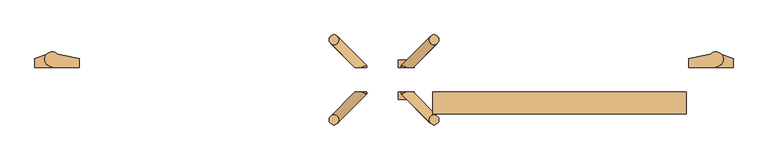
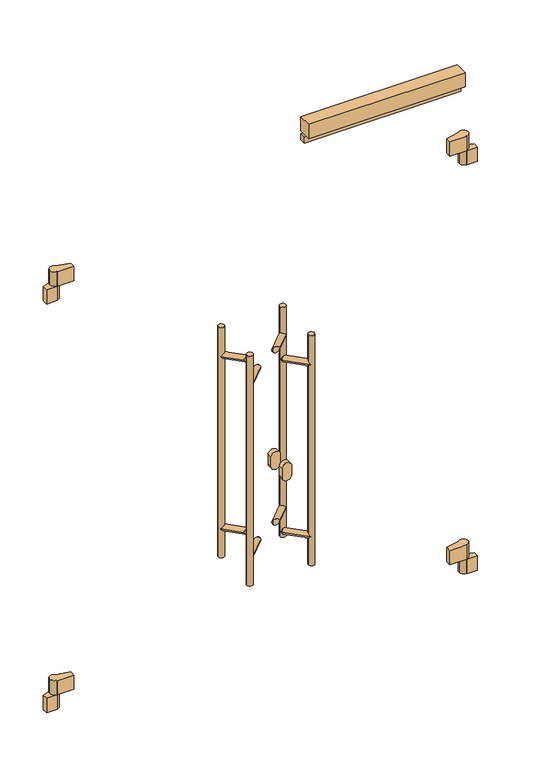
"""IFC4 building model written with IfcOpenShell, lengths in millimetres: door geometry."""

from ifc_helpers import new_model, si_unit, point, frame, frame_2d, origin, place, context, project, spatial, polyline, circle_curve, ellipse_curve, trimmed, segment, composite_curve, outline, extrude, source, transform, mapped, element, save
from ifc_brep_helpers import plane_surface, cylinder_surface, advanced_brep


def door_6a39a498(model_context):
    return source(origin(), model_context, "Body", "SolidModel", [
        extrude(outline(polyline([(-601.0, -50.0), (-86.0, -50.0), (-86.0, -95.0), (-601.0, -95.0), (-601.0, -50.0)])), frame((0.0, 0.0, 2073.0), z_axis=(0.0, 0.0, 1.0), x_axis=(1.0, 0.0, 0.0)), (0.0, 0.0, 1.0), 50.0),
        extrude(outline(polyline([(-601.0, -50.0), (-86.0, -50.0), (-86.0, -70.0), (-601.0, -70.0), (-601.0, -50.0)])), frame((0.0, 0.0, 2043.0), z_axis=(0.0, 0.0, 1.0), x_axis=(1.0, 0.0, 0.0)), (0.0, 0.0, 1.0), 20.0),
        advanced_brep(
        [(-81.0, 0.0, 400.0), (-26.0, 0.0, 400.0), (-26.0, 2.0, 400.0), (-11.0, 17.0, 400.0), (-36.5040029, 27.7082175, 400.0), (-81.0, 18.0, 400.0), (-41.0, 17.0, 300.0), (-13.8866516, 25.846852, 300.0), (9.0, 18.0, 300.0), (9.0, 0.0, 300.0), (-26.0, 0.0, 300.0), (-26.0, 2.0, 300.0), (-26.0, 2.0, 350.0), (-11.0, 17.0, 350.0), (-41.0, 17.0, 350.0), (-26.0, 2.0, 350.0), (-13.8866516, 25.846852, 350.0), (-36.5040029, 27.7082175, 350.0), (-81.0, 0.0, 350.0), (-81.0, 18.0, 350.0), (-26.0, 0.0, 350.0), (9.0, 0.0, 350.0), (9.0, 18.0, 350.0)],
        [
            (0, 1),
            (1, 2),
            (2, 3, circle_curve(frame((-26.0, 17.0, 400.0), z_axis=(0.0, 0.0, 1.0), x_axis=(1.0, 0.0, 0.0)), 15.0)),
            (3, 4, circle_curve(frame((-26.0, 17.0, 400.0), z_axis=(0.0, 0.0, 1.0), x_axis=(1.0, 0.0, 0.0)), 15.0)),
            (4, 5),
            (5, 0),
            (6, 7, circle_curve(frame((-26.0, 17.0, 300.0), z_axis=(0.0, 0.0, -1.0), x_axis=(1.0, 0.0, 0.0)), 15.0)),
            (7, 8),
            (8, 9),
            (9, 10),
            (10, 11),
            (11, 6, circle_curve(frame((-26.0, 17.0, 300.0), z_axis=(0.0, 0.0, -1.0), x_axis=(1.0, 0.0, 0.0)), 15.0)),
            (2, 12),
            (12, 13, circle_curve(frame((-26.0, 17.0, 350.0), z_axis=(0.0, 0.0, 1.0), x_axis=(1.0, 0.0, 0.0)), 15.0)),
            (13, 3),
            (14, 6),
            (11, 15),
            (15, 14, circle_curve(frame((-26.0, 17.0, 350.0), z_axis=(0.0, 0.0, -1.0), x_axis=(1.0, 0.0, 0.0)), 15.0)),
            (13, 16, circle_curve(frame((-26.0, 17.0, 350.0), z_axis=(0.0, 0.0, 1.0), x_axis=(1.0, 0.0, 0.0)), 15.0)),
            (16, 7),
            (14, 17, circle_curve(frame((-26.0, 17.0, 350.0), z_axis=(0.0, 0.0, -1.0), x_axis=(1.0, 0.0, 0.0)), 15.0)),
            (17, 4),
            (18, 19),
            (19, 17),
            (15, 20),
            (20, 18),
            (0, 18),
            (20, 1),
            (20, 12),
            (19, 5),
            (20, 21),
            (21, 22),
            (22, 16),
            (10, 20),
            (9, 21),
            (8, 22),
        ],
        [
            plane_surface(frame((-11.0, 17.0, 400.0), z_axis=(0.0, 0.0, 1.0), x_axis=(0.0, 1.0, 0.0))),
            plane_surface(frame((-11.0, 17.0, 300.0), z_axis=(0.0, 0.0, -1.0), x_axis=(0.0, -1.0, 0.0))),
            cylinder_surface(frame((-26.0, 17.0, 300.0), z_axis=(0.0, 0.0, 1.0), x_axis=(1.0, 0.0, 0.0)), 15.0),
            plane_surface(frame((-26.0, 0.0, 350.0), z_axis=(0.0, 0.0, -1.0), x_axis=(-1.0, 0.0, 0.0))),
            plane_surface(frame((-81.0, 0.0, 400.0), z_axis=(0.0, -1.0, 0.0), x_axis=(0.0, 0.0, -1.0))),
            plane_surface(frame((-26.0, 0.0, 400.0), z_axis=(1.0, 0.0, 0.0), x_axis=(0.0, 0.0, -1.0))),
            plane_surface(frame((-26.0, 30.0, 400.0), z_axis=(-0.21316707521672498, 0.9770157614099925, 0.0), x_axis=(0.0, 0.0, -1.0))),
            plane_surface(frame((-81.0, 18.0, 400.0), z_axis=(-1.0, 0.0, 0.0), x_axis=(0.0, 0.0, -1.0))),
            plane_surface(frame((-26.0, 0.0, 350.0), z_axis=(0.0, 0.0, 1.0), x_axis=(0.0, -1.0, 0.0))),
            plane_surface(frame((-26.0, 30.0, 350.0), z_axis=(-1.0, 0.0, 0.0), x_axis=(0.0, 0.0, -1.0))),
            plane_surface(frame((-26.0, 0.0, 350.0), z_axis=(0.0, -1.0, 0.0), x_axis=(0.0, 0.0, -1.0))),
            plane_surface(frame((9.0, 0.0, 350.0), z_axis=(1.0, 0.0, 0.0), x_axis=(0.0, 0.0, -1.0))),
            plane_surface(frame((9.0, 18.0, 350.0), z_axis=(0.3243243243243251, 0.9459459459459457, 0.0), x_axis=(0.0, 0.0, -1.0))),
        ],
        [
            (0, [[1, 2, 3, 4, 5, 6]]),
            (1, [[7, 8, 9, 10, 11, 12]]),
            (2, [[-3, 13, 14, 15]]),
            (2, [[16, -12, 17, 18]]),
            (2, [[-4, -15, 19, 20, -7, -16, 21, 22]]),
            (3, [[23, 24, -21, -18, 25, 26]]),
            (4, [[-1, 27, -26, 28]]),
            (5, [[-28, 29, -13, -2]]),
            (6, [[30, -5, -22, -24]]),
            (7, [[-6, -30, -23, -27]]),
            (8, [[31, 32, 33, -19, -14, -29]]),
            (9, [[34, -25, -17, -11]]),
            (10, [[-31, -34, -10, 35]]),
            (11, [[-32, -35, -9, 36]]),
            (12, [[-36, -8, -20, -33]]),
        ],
    ),
        advanced_brep(
        [(-1319.0, 0.0, 400.0), (-1319.0, 18.0, 400.0), (-1363.4959971, 27.7082175, 400.0), (-1389.0, 17.0, 400.0), (-1374.0, 2.0, 400.0), (-1374.0, 0.0, 400.0), (-1386.1133484, 25.846852, 300.0), (-1359.0, 17.0, 300.0), (-1374.0, 2.0, 300.0), (-1374.0, 0.0, 300.0), (-1409.0, 0.0, 300.0), (-1409.0, 18.0, 300.0), (-1389.0, 17.0, 350.0), (-1374.0, 2.0, 350.0), (-1359.0, 17.0, 350.0), (-1374.0, 2.0, 350.0), (-1363.4959971, 27.7082175, 350.0), (-1386.1133484, 25.846852, 350.0), (-1319.0, 0.0, 350.0), (-1374.0, 0.0, 350.0), (-1319.0, 18.0, 350.0), (-1409.0, 18.0, 350.0), (-1409.0, 0.0, 350.0)],
        [
            (0, 1),
            (1, 2),
            (2, 3, circle_curve(frame((-1374.0, 17.0, 400.0), z_axis=(0.0, 0.0, 1.0), x_axis=(1.0, 0.0, 0.0)), 15.0)),
            (3, 4, circle_curve(frame((-1374.0, 17.0, 400.0), z_axis=(0.0, 0.0, 1.0), x_axis=(1.0, 0.0, 0.0)), 15.0)),
            (4, 5),
            (5, 0),
            (6, 7, circle_curve(frame((-1374.0, 17.0, 300.0), z_axis=(0.0, 0.0, -1.0), x_axis=(1.0, 0.0, 0.0)), 15.0)),
            (7, 8, circle_curve(frame((-1374.0, 17.0, 300.0), z_axis=(0.0, 0.0, -1.0), x_axis=(1.0, 0.0, 0.0)), 15.0)),
            (8, 9),
            (9, 10),
            (10, 11),
            (11, 6),
            (3, 12),
            (12, 13, circle_curve(frame((-1374.0, 17.0, 350.0), z_axis=(0.0, 0.0, 1.0), x_axis=(1.0, 0.0, 0.0)), 15.0)),
            (13, 4),
            (7, 14),
            (14, 15, circle_curve(frame((-1374.0, 17.0, 350.0), z_axis=(0.0, 0.0, -1.0), x_axis=(1.0, 0.0, 0.0)), 15.0)),
            (15, 8),
            (2, 16),
            (16, 14, circle_curve(frame((-1374.0, 17.0, 350.0), z_axis=(0.0, 0.0, -1.0), x_axis=(1.0, 0.0, 0.0)), 15.0)),
            (6, 17),
            (17, 12, circle_curve(frame((-1374.0, 17.0, 350.0), z_axis=(0.0, 0.0, 1.0), x_axis=(1.0, 0.0, 0.0)), 15.0)),
            (18, 19),
            (19, 15),
            (16, 20),
            (20, 18),
            (0, 18),
            (20, 1),
            (19, 5),
            (13, 19),
            (21, 22),
            (22, 19),
            (17, 21),
            (11, 21),
            (10, 22),
            (9, 19),
        ],
        [
            plane_surface(frame((-11.0, 17.0, 400.0), z_axis=(0.0, 0.0, 1.0), x_axis=(0.0, 1.0, 0.0))),
            plane_surface(frame((-11.0, 17.0, 300.0), z_axis=(0.0, 0.0, -1.0), x_axis=(0.0, -1.0, 0.0))),
            cylinder_surface(frame((-1374.0, 17.0, 0.0), z_axis=(0.0, 0.0, 1.0), x_axis=(1.0, 0.0, 0.0)), 15.0),
            plane_surface(frame((-26.0, 0.0, 350.0), z_axis=(0.0, 0.0, -1.0), x_axis=(-1.0, 0.0, 0.0))),
            plane_surface(frame((-1319.0, 0.0, 400.0), z_axis=(1.0, 0.0, 0.0), x_axis=(0.0, 0.0, -1.0))),
            plane_surface(frame((-1319.0, 18.0, 400.0), z_axis=(0.2131670752167287, 0.9770157614099916, 0.0), x_axis=(0.0, 0.0, -1.0))),
            plane_surface(frame((-1374.0, 30.0, 400.0), z_axis=(-1.0, 0.0, 0.0), x_axis=(0.0, 0.0, -1.0))),
            plane_surface(frame((-1374.0, 0.0, 400.0), z_axis=(0.0, -1.0, 0.0), x_axis=(0.0, 0.0, -1.0))),
            plane_surface(frame((-26.0, 0.0, 350.0), z_axis=(0.0, 0.0, 1.0), x_axis=(0.0, -1.0, 0.0))),
            plane_surface(frame((-1374.0, 30.0, 350.0), z_axis=(-0.3243243243243233, 0.9459459459459464, 0.0), x_axis=(0.0, 0.0, -1.0))),
            plane_surface(frame((-1409.0, 18.0, 350.0), z_axis=(-1.0, 0.0, 0.0), x_axis=(0.0, 0.0, -1.0))),
            plane_surface(frame((-1409.0, 0.0, 350.0), z_axis=(0.0, -1.0, 0.0), x_axis=(0.0, 0.0, -1.0))),
            plane_surface(frame((-1374.0, 0.0, 350.0), z_axis=(1.0, 0.0, 0.0), x_axis=(0.0, 0.0, -1.0))),
        ],
        [
            (0, [[1, 2, 3, 4, 5, 6]]),
            (1, [[7, 8, 9, 10, 11, 12]]),
            (2, [[-4, 13, 14, 15]]),
            (2, [[16, 17, 18, -8]]),
            (2, [[-3, 19, 20, -16, -7, 21, 22, -13]]),
            (3, [[23, 24, -17, -20, 25, 26]]),
            (4, [[-1, 27, -26, 28]]),
            (5, [[-28, -25, -19, -2]]),
            (6, [[29, -5, -15, 30]]),
            (7, [[-6, -29, -23, -27]]),
            (8, [[31, 32, -30, -14, -22, 33]]),
            (9, [[34, -33, -21, -12]]),
            (10, [[-31, -34, -11, 35]]),
            (11, [[-32, -35, -10, 36]]),
            (12, [[-36, -9, -18, -24]]),
        ],
    ),
        advanced_brep(
        [(-81.0, 0.0, 1823.0), (-26.0, 0.0, 1823.0), (-26.0, 2.0, 1823.0), (-11.0, 17.0, 1823.0), (-36.5040029, 27.7082175, 1823.0), (-81.0, 18.0, 1823.0), (-41.0, 17.0, 1723.0), (-13.8866516, 25.846852, 1723.0), (9.0, 18.0, 1723.0), (9.0, 0.0, 1723.0), (-26.0, 0.0, 1723.0), (-26.0, 2.0, 1723.0), (-26.0, 2.0, 1773.0), (-11.0, 17.0, 1773.0), (-41.0, 17.0, 1773.0), (-26.0, 2.0, 1773.0), (-13.8866516, 25.846852, 1773.0), (-36.5040029, 27.7082175, 1773.0), (-81.0, 0.0, 1773.0), (-81.0, 18.0, 1773.0), (-26.0, 0.0, 1773.0), (9.0, 0.0, 1773.0), (9.0, 18.0, 1773.0)],
        [
            (0, 1),
            (1, 2),
            (2, 3, circle_curve(frame((-26.0, 17.0, 1823.0), z_axis=(0.0, 0.0, 1.0), x_axis=(1.0, 0.0, 0.0)), 15.0)),
            (3, 4, circle_curve(frame((-26.0, 17.0, 1823.0), z_axis=(0.0, 0.0, 1.0), x_axis=(1.0, 0.0, 0.0)), 15.0)),
            (4, 5),
            (5, 0),
            (6, 7, circle_curve(frame((-26.0, 17.0, 1723.0), z_axis=(0.0, 0.0, -1.0), x_axis=(1.0, 0.0, 0.0)), 15.0)),
            (7, 8),
            (8, 9),
            (9, 10),
            (10, 11),
            (11, 6, circle_curve(frame((-26.0, 17.0, 1723.0), z_axis=(0.0, 0.0, -1.0), x_axis=(1.0, 0.0, 0.0)), 15.0)),
            (2, 12),
            (12, 13, circle_curve(frame((-26.0, 17.0, 1773.0), z_axis=(0.0, 0.0, 1.0), x_axis=(1.0, 0.0, 0.0)), 15.0)),
            (13, 3),
            (14, 6),
            (11, 15),
            (15, 14, circle_curve(frame((-26.0, 17.0, 1773.0), z_axis=(0.0, 0.0, -1.0), x_axis=(1.0, 0.0, 0.0)), 15.0)),
            (13, 16, circle_curve(frame((-26.0, 17.0, 1773.0), z_axis=(0.0, 0.0, 1.0), x_axis=(1.0, 0.0, 0.0)), 15.0)),
            (16, 7),
            (14, 17, circle_curve(frame((-26.0, 17.0, 1773.0), z_axis=(0.0, 0.0, -1.0), x_axis=(1.0, 0.0, 0.0)), 15.0)),
            (17, 4),
            (18, 19),
            (19, 17),
            (15, 20),
            (20, 18),
            (20, 1),
            (0, 18),
            (20, 12),
            (19, 5),
            (20, 21),
            (21, 22),
            (22, 16),
            (10, 20),
            (9, 21),
            (8, 22),
        ],
        [
            plane_surface(frame((-11.0, 17.0, 1823.0), z_axis=(0.0, 0.0, 1.0), x_axis=(0.0, 1.0, 0.0))),
            plane_surface(frame((-11.0, 17.0, 1723.0), z_axis=(0.0, 0.0, -1.0), x_axis=(0.0, -1.0, 0.0))),
            cylinder_surface(frame((-26.0, 17.0, 1723.0), z_axis=(0.0, 0.0, 1.0), x_axis=(1.0, 0.0, 0.0)), 15.0),
            plane_surface(frame((-26.0, 0.0, 1773.0), z_axis=(0.0, 0.0, -1.0), x_axis=(-1.0, 0.0, 0.0))),
            plane_surface(frame((-81.0, 0.0, 1823.0), z_axis=(0.0, -1.0, 0.0), x_axis=(0.0, 0.0, -1.0))),
            plane_surface(frame((-26.0, 0.0, 1823.0), z_axis=(1.0, 0.0, 0.0), x_axis=(0.0, 0.0, -1.0))),
            plane_surface(frame((-26.0, 30.0, 1823.0), z_axis=(-0.21316707521672537, 0.9770157614099924, 0.0), x_axis=(0.0, 0.0, -1.0))),
            plane_surface(frame((-81.0, 18.0, 1823.0), z_axis=(-1.0, 0.0, 0.0), x_axis=(0.0, 0.0, -1.0))),
            plane_surface(frame((-26.0, 0.0, 1773.0), z_axis=(0.0, 0.0, 1.0), x_axis=(0.0, -1.0, 0.0))),
            plane_surface(frame((-26.0, 30.0, 1773.0), z_axis=(-1.0, 0.0, 0.0), x_axis=(0.0, 0.0, -1.0))),
            plane_surface(frame((-26.0, 0.0, 1773.0), z_axis=(0.0, -1.0, 0.0), x_axis=(0.0, 0.0, -1.0))),
            plane_surface(frame((9.0, 0.0, 1773.0), z_axis=(1.0, 0.0, 0.0), x_axis=(0.0, 0.0, -1.0))),
            plane_surface(frame((9.0, 18.0, 1773.0), z_axis=(0.3243243243243251, 0.9459459459459457, 0.0), x_axis=(0.0, 0.0, -1.0))),
        ],
        [
            (0, [[1, 2, 3, 4, 5, 6]]),
            (1, [[7, 8, 9, 10, 11, 12]]),
            (2, [[-3, 13, 14, 15]]),
            (2, [[16, -12, 17, 18]]),
            (2, [[-4, -15, 19, 20, -7, -16, 21, 22]]),
            (3, [[23, 24, -21, -18, 25, 26]]),
            (4, [[-26, 27, -1, 28]]),
            (5, [[-27, 29, -13, -2]]),
            (6, [[30, -5, -22, -24]]),
            (7, [[-23, -28, -6, -30]]),
            (8, [[31, 32, 33, -19, -14, -29]]),
            (9, [[34, -25, -17, -11]]),
            (10, [[-10, 35, -31, -34]]),
            (11, [[-9, 36, -32, -35]]),
            (12, [[-36, -8, -20, -33]]),
        ],
    ),
        advanced_brep(
        [(-1319.0, 0.0, 1823.0), (-1319.0, 18.0, 1823.0), (-1363.4959971, 27.7082175, 1823.0), (-1389.0, 17.0, 1823.0), (-1374.0, 2.0, 1823.0), (-1374.0, 0.0, 1823.0), (-1386.1133484, 25.846852, 1723.0), (-1359.0, 17.0, 1723.0), (-1374.0, 2.0, 1723.0), (-1374.0, 0.0, 1723.0), (-1409.0, 0.0, 1723.0), (-1409.0, 18.0, 1723.0), (-1389.0, 17.0, 1773.0), (-1374.0, 2.0, 1773.0), (-1359.0, 17.0, 1773.0), (-1374.0, 2.0, 1773.0), (-1363.4959971, 27.7082175, 1773.0), (-1386.1133484, 25.846852, 1773.0), (-1319.0, 0.0, 1773.0), (-1374.0, 0.0, 1773.0), (-1319.0, 18.0, 1773.0), (-1409.0, 18.0, 1773.0), (-1409.0, 0.0, 1773.0)],
        [
            (0, 1),
            (1, 2),
            (2, 3, circle_curve(frame((-1374.0, 17.0, 1823.0), z_axis=(0.0, 0.0, 1.0), x_axis=(1.0, 0.0, 0.0)), 15.0)),
            (3, 4, circle_curve(frame((-1374.0, 17.0, 1823.0), z_axis=(0.0, 0.0, 1.0), x_axis=(1.0, 0.0, 0.0)), 15.0)),
            (4, 5),
            (5, 0),
            (6, 7, circle_curve(frame((-1374.0, 17.0, 1723.0), z_axis=(0.0, 0.0, -1.0), x_axis=(1.0, 0.0, 0.0)), 15.0)),
            (7, 8, circle_curve(frame((-1374.0, 17.0, 1723.0), z_axis=(0.0, 0.0, -1.0), x_axis=(1.0, 0.0, 0.0)), 15.0)),
            (8, 9),
            (9, 10),
            (10, 11),
            (11, 6),
            (3, 12),
            (12, 13, circle_curve(frame((-1374.0, 17.0, 1773.0), z_axis=(0.0, 0.0, 1.0), x_axis=(1.0, 0.0, 0.0)), 15.0)),
            (13, 4),
            (7, 14),
            (14, 15, circle_curve(frame((-1374.0, 17.0, 1773.0), z_axis=(0.0, 0.0, -1.0), x_axis=(1.0, 0.0, 0.0)), 15.0)),
            (15, 8),
            (2, 16),
            (16, 14, circle_curve(frame((-1374.0, 17.0, 1773.0), z_axis=(0.0, 0.0, -1.0), x_axis=(1.0, 0.0, 0.0)), 15.0)),
            (6, 17),
            (17, 12, circle_curve(frame((-1374.0, 17.0, 1773.0), z_axis=(0.0, 0.0, 1.0), x_axis=(1.0, 0.0, 0.0)), 15.0)),
            (18, 19),
            (19, 15),
            (16, 20),
            (20, 18),
            (20, 1),
            (0, 18),
            (19, 5),
            (13, 19),
            (21, 22),
            (22, 19),
            (17, 21),
            (11, 21),
            (10, 22),
            (9, 19),
        ],
        [
            plane_surface(frame((-11.0, 17.0, 1823.0), z_axis=(0.0, 0.0, 1.0), x_axis=(0.0, 1.0, 0.0))),
            plane_surface(frame((-11.0, 17.0, 1723.0), z_axis=(0.0, 0.0, -1.0), x_axis=(0.0, -1.0, 0.0))),
            cylinder_surface(frame((-1374.0, 17.0, 0.0), z_axis=(0.0, 0.0, 1.0), x_axis=(1.0, 0.0, 0.0)), 15.0),
            plane_surface(frame((-26.0, 0.0, 1773.0), z_axis=(0.0, 0.0, -1.0), x_axis=(-1.0, 0.0, 0.0))),
            plane_surface(frame((-1319.0, 0.0, 1823.0), z_axis=(1.0, 0.0, 0.0), x_axis=(0.0, 0.0, -1.0))),
            plane_surface(frame((-1319.0, 18.0, 1823.0), z_axis=(0.2131670752167268, 0.977015761409992, 0.0), x_axis=(0.0, 0.0, -1.0))),
            plane_surface(frame((-1374.0, 30.0, 1823.0), z_axis=(-1.0, 0.0, 0.0), x_axis=(0.0, 0.0, -1.0))),
            plane_surface(frame((-1374.0, 0.0, 1823.0), z_axis=(0.0, -1.0, 0.0), x_axis=(0.0, 0.0, -1.0))),
            plane_surface(frame((-26.0, 0.0, 1773.0), z_axis=(0.0, 0.0, 1.0), x_axis=(0.0, -1.0, 0.0))),
            plane_surface(frame((-1374.0, 30.0, 1773.0), z_axis=(-0.324324324324321, 0.945945945945947, 0.0), x_axis=(0.0, 0.0, -1.0))),
            plane_surface(frame((-1409.0, 18.0, 1773.0), z_axis=(-1.0, 0.0, 0.0), x_axis=(0.0, 0.0, -1.0))),
            plane_surface(frame((-1409.0, 0.0, 1773.0), z_axis=(0.0, -1.0, 0.0), x_axis=(0.0, 0.0, -1.0))),
            plane_surface(frame((-1374.0, 0.0, 1773.0), z_axis=(1.0, 0.0, 0.0), x_axis=(0.0, 0.0, -1.0))),
        ],
        [
            (0, [[1, 2, 3, 4, 5, 6]]),
            (1, [[7, 8, 9, 10, 11, 12]]),
            (2, [[-4, 13, 14, 15]]),
            (2, [[16, 17, 18, -8]]),
            (2, [[-3, 19, 20, -16, -7, 21, 22, -13]]),
            (3, [[23, 24, -17, -20, 25, 26]]),
            (4, [[-26, 27, -1, 28]]),
            (5, [[-27, -25, -19, -2]]),
            (6, [[29, -5, -15, 30]]),
            (7, [[-23, -28, -6, -29]]),
            (8, [[31, 32, -30, -14, -22, 33]]),
            (9, [[34, -33, -21, -12]]),
            (10, [[-11, 35, -31, -34]]),
            (11, [[-10, 36, -32, -35]]),
            (12, [[-36, -9, -18, -24]]),
        ],
    ),
        advanced_brep(
        [(-608.4314575, 56.5685425, 1400.0), (-588.4314575, 56.5685425, 1400.0), (-608.4314575, 56.5685425, 600.0), (-588.4314575, 56.5685425, 600.0), (-655.0, 0.0, 710.0), (-665.0, 0.0, 700.0), (-655.0, 0.0, 690.0), (-640.8578644, 0.0, 700.0), (-655.0, 0.0, 1310.0), (-665.0, 0.0, 1300.0), (-655.0, 0.0, 1290.0), (-640.8578644, 0.0, 1300.0), (-665.0, 4.1421356, 700.0), (-665.0, 4.1421356, 1300.0), (-605.5025253, 63.6396103, 700.0), (-591.3603897, 49.4974747, 700.0), (-608.4314575, 56.5685425, 707.0710678), (-608.4314575, 56.5685425, 692.9289322), (-605.5025253, 63.6396103, 1300.0), (-591.3603897, 49.4974747, 1300.0), (-608.4314575, 56.5685425, 1307.0710678), (-608.4314575, 56.5685425, 1292.9289322)],
        [
            (0, 1, circle_curve(frame((-598.4314575, 56.5685425, 1400.0), z_axis=(0.0, 0.0, 1.0), x_axis=(1.0, 0.0, 0.0)), 10.0)),
            (1, 0, circle_curve(frame((-598.4314575, 56.5685425, 1400.0), z_axis=(0.0, 0.0, 1.0), x_axis=(1.0, 0.0, 0.0)), 10.0)),
            (2, 3, circle_curve(frame((-598.4314575, 56.5685425, 600.0), z_axis=(0.0, 0.0, -1.0), x_axis=(1.0, 0.0, 0.0)), 10.0)),
            (3, 2, circle_curve(frame((-598.4314575, 56.5685425, 600.0), z_axis=(0.0, 0.0, -1.0), x_axis=(1.0, 0.0, 0.0)), 10.0)),
            (4, 5, circle_curve(frame((-655.0, 0.0, 700.0), z_axis=(0.0, -1.0, 0.0), x_axis=(-1.0, 0.0, 0.0)), 10.0)),
            (5, 6, circle_curve(frame((-655.0, 0.0, 700.0), z_axis=(0.0, -1.0, 0.0), x_axis=(-1.0, 0.0, 0.0)), 10.0)),
            (6, 7, ellipse_curve(frame((-655.0, 0.0, 700.0), z_axis=(0.0, -1.0, 0.0), x_axis=(-1.0, 0.0, 0.0)), 14.1421356, 10.0)),
            (7, 4, ellipse_curve(frame((-655.0, 0.0, 700.0), z_axis=(0.0, -1.0, 0.0), x_axis=(-1.0, 0.0, 0.0)), 14.1421356, 10.0)),
            (8, 9, circle_curve(frame((-655.0, 0.0, 1300.0), z_axis=(0.0, -1.0, 0.0), x_axis=(-1.0, 0.0, 0.0)), 10.0)),
            (9, 10, circle_curve(frame((-655.0, 0.0, 1300.0), z_axis=(0.0, -1.0, 0.0), x_axis=(-1.0, 0.0, 0.0)), 10.0)),
            (10, 11, ellipse_curve(frame((-655.0, 0.0, 1300.0), z_axis=(0.0, -1.0, 0.0), x_axis=(-1.0, 0.0, 0.0)), 14.1421356, 10.0)),
            (11, 8, ellipse_curve(frame((-655.0, 0.0, 1300.0), z_axis=(0.0, -1.0, 0.0), x_axis=(-1.0, 0.0, 0.0)), 14.1421356, 10.0)),
            (4, 12, ellipse_curve(frame((-655.0, 0.0, 700.0), z_axis=(-0.38268343236513885, -0.9238795325112664, 0.0), x_axis=(0.9238795325112665, -0.38268343236513874, 0.0)), 10.823922, 10.0)),
            (12, 5),
            (12, 6, ellipse_curve(frame((-655.0, 0.0, 700.0), z_axis=(-0.38268343236513885, -0.9238795325112664, 0.0), x_axis=(0.9238795325112665, -0.38268343236513874, 0.0)), 10.823922, 10.0)),
            (8, 13, ellipse_curve(frame((-655.0, 0.0, 1300.0), z_axis=(-0.38268343236513885, -0.9238795325112664, 0.0), x_axis=(0.9238795325112665, -0.38268343236513874, 0.0)), 10.823922, 10.0)),
            (13, 9),
            (13, 10, ellipse_curve(frame((-655.0, 0.0, 1300.0), z_axis=(-0.38268343236513885, -0.9238795325112664, 0.0), x_axis=(0.9238795325112665, -0.38268343236513874, 0.0)), 10.823922, 10.0)),
            (14, 12),
            (7, 15),
            (15, 16, ellipse_curve(frame((-598.4314575, 56.5685425, 700.0), z_axis=(-0.500000000000051, -0.4999999999999468, -0.707106781186549), x_axis=(-0.5000000000000553, -0.4999999999999468, 0.7071067811865459)), 14.1421356, 10.0)),
            (16, 14, ellipse_curve(frame((-598.4314575, 56.5685425, 700.0), z_axis=(-0.500000000000051, -0.4999999999999468, -0.707106781186549), x_axis=(-0.5000000000000553, -0.4999999999999468, 0.7071067811865459)), 14.1421356, 10.0)),
            (14, 17, ellipse_curve(frame((-598.4314575, 56.5685425, 700.0), z_axis=(-0.5000000000000553, -0.4999999999999468, 0.7071067811865459), x_axis=(-0.5000000000000511, -0.4999999999999468, -0.7071067811865489)), 14.1421356, 10.0)),
            (17, 15, ellipse_curve(frame((-598.4314575, 56.5685425, 700.0), z_axis=(-0.5000000000000553, -0.4999999999999468, 0.7071067811865459), x_axis=(-0.5000000000000511, -0.4999999999999468, -0.7071067811865489)), 14.1421356, 10.0)),
            (18, 13),
            (11, 19),
            (19, 20, ellipse_curve(frame((-598.4314575, 56.5685425, 1300.0), z_axis=(-0.500000000000051, -0.4999999999999468, -0.707106781186549), x_axis=(-0.5000000000000553, -0.4999999999999468, 0.7071067811865459)), 14.1421356, 10.0)),
            (20, 18, ellipse_curve(frame((-598.4314575, 56.5685425, 1300.0), z_axis=(-0.500000000000051, -0.4999999999999468, -0.707106781186549), x_axis=(-0.5000000000000553, -0.4999999999999468, 0.7071067811865459)), 14.1421356, 10.0)),
            (18, 21, ellipse_curve(frame((-598.4314575, 56.5685425, 1300.0), z_axis=(-0.5000000000000553, -0.4999999999999468, 0.7071067811865459), x_axis=(-0.5000000000000511, -0.4999999999999468, -0.7071067811865489)), 14.1421356, 10.0)),
            (21, 19, ellipse_curve(frame((-598.4314575, 56.5685425, 1300.0), z_axis=(-0.5000000000000553, -0.4999999999999468, 0.7071067811865459), x_axis=(-0.5000000000000511, -0.4999999999999468, -0.7071067811865489)), 14.1421356, 10.0)),
            (0, 20),
            (21, 16),
            (17, 2),
            (3, 1),
        ],
        [
            plane_surface(frame((-588.4314575, 56.5685425, 1400.0), z_axis=(0.0, 0.0, 1.0), x_axis=(0.0, 1.0, 0.0))),
            plane_surface(frame((-588.4314575, 56.5685425, 600.0), z_axis=(0.0, 0.0, -1.0), x_axis=(0.0, -1.0, 0.0))),
            plane_surface(frame((-795.0, 0.0, 600.0), z_axis=(0.0, -1.0, 0.0), x_axis=(0.0, 0.0, 1.0))),
            cylinder_surface(frame((-655.0, -50.0, 700.0), z_axis=(0.0, -1.0, 0.0), x_axis=(-1.0, 0.0, 0.0)), 10.0),
            cylinder_surface(frame((-655.0, -50.0, 1300.0), z_axis=(0.0, -1.0, 0.0), x_axis=(-1.0, 0.0, 0.0)), 10.0),
            cylinder_surface(frame((-655.0, 0.0, 700.0), z_axis=(-0.7071067811866227, -0.7071067811864724, 0.0), x_axis=(-0.7071067811864724, 0.7071067811866227, 0.0)), 10.0),
            cylinder_surface(frame((-655.0, 0.0, 1300.0), z_axis=(-0.7071067811866227, -0.7071067811864724, 0.0), x_axis=(-0.7071067811864724, 0.7071067811866227, 0.0)), 10.0),
            cylinder_surface(frame((-598.4314575, 56.5685425, 600.0), z_axis=(0.0, 0.0, 1.0), x_axis=(1.0, 0.0, 0.0)), 10.0),
        ],
        [
            (0, [[1, 2]]),
            (1, [[3, 4]]),
            (2, [[5, 6, 7, 8]]),
            (2, [[9, 10, 11, 12]]),
            (3, [[13, 14, -5]]),
            (3, [[-14, 15, -6]]),
            (4, [[16, 17, -9]]),
            (4, [[-17, 18, -10]]),
            (5, [[19, -13, -8, 20, 21, 22]]),
            (5, [[-19, 23, 24, -20, -7, -15]]),
            (6, [[25, -16, -12, 26, 27, 28]]),
            (6, [[-25, 29, 30, -26, -11, -18]]),
            (7, [[-1, 31, -27, -30, 32, -21, -24, 33, -4, 34]]),
            (7, [[-2, -34, -3, -33, -23, -22, -32, -29, -28, -31]]),
        ],
    ),
        advanced_brep(
        [(-608.4314575, -106.5685425, 1400.0), (-588.4314575, -106.5685425, 1400.0), (-608.4314575, -106.5685425, 600.0), (-588.4314575, -106.5685425, 600.0), (-655.0, -50.0, 710.0), (-640.8578644, -50.0, 700.0), (-655.0, -50.0, 690.0), (-665.0, -50.0, 700.0), (-655.0, -50.0, 1310.0), (-640.8578644, -50.0, 1300.0), (-655.0, -50.0, 1290.0), (-665.0, -50.0, 1300.0), (-665.0, -54.1421356, 700.0), (-605.5025253, -113.6396103, 700.0), (-608.4314575, -106.5685425, 707.0710678), (-591.3603897, -99.4974747, 700.0), (-608.4314575, -106.5685425, 692.9289322), (-665.0, -54.1421356, 1300.0), (-605.5025253, -113.6396103, 1300.0), (-608.4314575, -106.5685425, 1307.0710678), (-591.3603897, -99.4974747, 1300.0), (-608.4314575, -106.5685425, 1292.9289322)],
        [
            (0, 1, circle_curve(frame((-598.4314575, -106.5685425, 1400.0), z_axis=(0.0, 0.0, 1.0), x_axis=(1.0, 0.0, 0.0)), 10.0)),
            (1, 0, circle_curve(frame((-598.4314575, -106.5685425, 1400.0), z_axis=(0.0, 0.0, 1.0), x_axis=(1.0, 0.0, 0.0)), 10.0)),
            (2, 3, circle_curve(frame((-598.4314575, -106.5685425, 600.0), z_axis=(0.0, 0.0, -1.0), x_axis=(1.0, 0.0, 0.0)), 10.0)),
            (3, 2, circle_curve(frame((-598.4314575, -106.5685425, 600.0), z_axis=(0.0, 0.0, -1.0), x_axis=(1.0, 0.0, 0.0)), 10.0)),
            (4, 5, ellipse_curve(frame((-655.0, -50.0, 700.0), z_axis=(0.0, 1.0, 0.0), x_axis=(1.0, 0.0, 0.0)), 14.1421356, 10.0)),
            (5, 6, ellipse_curve(frame((-655.0, -50.0, 700.0), z_axis=(0.0, 1.0, 0.0), x_axis=(1.0, 0.0, 0.0)), 14.1421356, 10.0)),
            (6, 7, circle_curve(frame((-655.0, -50.0, 700.0), z_axis=(0.0, 1.0, 0.0), x_axis=(-1.0, 0.0, 0.0)), 10.0)),
            (7, 4, circle_curve(frame((-655.0, -50.0, 700.0), z_axis=(0.0, 1.0, 0.0), x_axis=(-1.0, 0.0, 0.0)), 10.0)),
            (8, 9, ellipse_curve(frame((-655.0, -50.0, 1300.0), z_axis=(0.0, 1.0, 0.0), x_axis=(1.0, 0.0, 0.0)), 14.1421356, 10.0)),
            (9, 10, ellipse_curve(frame((-655.0, -50.0, 1300.0), z_axis=(0.0, 1.0, 0.0), x_axis=(1.0, 0.0, 0.0)), 14.1421356, 10.0)),
            (10, 11, circle_curve(frame((-655.0, -50.0, 1300.0), z_axis=(0.0, 1.0, 0.0), x_axis=(-1.0, 0.0, 0.0)), 10.0)),
            (11, 8, circle_curve(frame((-655.0, -50.0, 1300.0), z_axis=(0.0, 1.0, 0.0), x_axis=(-1.0, 0.0, 0.0)), 10.0)),
            (12, 13),
            (13, 14, ellipse_curve(frame((-598.4314575, -106.5685425, 700.0), z_axis=(-0.5000000000000075, 0.49999999999999073, -0.7071067811865487), x_axis=(0.5000000000000117, -0.49999999999999023, -0.7071067811865464)), 14.1421356, 10.0)),
            (14, 15, ellipse_curve(frame((-598.4314575, -106.5685425, 700.0), z_axis=(-0.5000000000000075, 0.49999999999999073, -0.7071067811865487), x_axis=(0.5000000000000117, -0.49999999999999023, -0.7071067811865464)), 14.1421356, 10.0)),
            (15, 5),
            (4, 12, ellipse_curve(frame((-655.0, -50.0, 700.0), z_axis=(0.38268343236509866, -0.9238795325112832, 0.0), x_axis=(0.923879532511283, 0.38268343236509905, 0.0)), 10.823922, 10.0)),
            (12, 6, ellipse_curve(frame((-655.0, -50.0, 700.0), z_axis=(0.38268343236509866, -0.9238795325112832, 0.0), x_axis=(0.923879532511283, 0.38268343236509905, 0.0)), 10.823922, 10.0)),
            (15, 16, ellipse_curve(frame((-598.4314575, -106.5685425, 700.0), z_axis=(-0.5000000000000114, 0.4999999999999902, 0.7071067811865464), x_axis=(0.5000000000000075, -0.49999999999999073, 0.7071067811865487)), 14.1421356, 10.0)),
            (16, 13, ellipse_curve(frame((-598.4314575, -106.5685425, 700.0), z_axis=(-0.5000000000000114, 0.4999999999999902, 0.7071067811865464), x_axis=(0.5000000000000075, -0.49999999999999073, 0.7071067811865487)), 14.1421356, 10.0)),
            (17, 18),
            (18, 19, ellipse_curve(frame((-598.4314575, -106.5685425, 1300.0), z_axis=(-0.5000000000000075, 0.49999999999999073, -0.7071067811865487), x_axis=(0.5000000000000117, -0.49999999999999023, -0.7071067811865464)), 14.1421356, 10.0)),
            (19, 20, ellipse_curve(frame((-598.4314575, -106.5685425, 1300.0), z_axis=(-0.5000000000000075, 0.49999999999999073, -0.7071067811865487), x_axis=(0.5000000000000117, -0.49999999999999023, -0.7071067811865464)), 14.1421356, 10.0)),
            (20, 9),
            (8, 17, ellipse_curve(frame((-655.0, -50.0, 1300.0), z_axis=(0.38268343236509866, -0.9238795325112832, 0.0), x_axis=(0.923879532511283, 0.38268343236509905, 0.0)), 10.823922, 10.0)),
            (17, 10, ellipse_curve(frame((-655.0, -50.0, 1300.0), z_axis=(0.38268343236509866, -0.9238795325112832, 0.0), x_axis=(0.923879532511283, 0.38268343236509905, 0.0)), 10.823922, 10.0)),
            (20, 21, ellipse_curve(frame((-598.4314575, -106.5685425, 1300.0), z_axis=(-0.5000000000000114, 0.4999999999999902, 0.7071067811865464), x_axis=(0.5000000000000075, -0.49999999999999073, 0.7071067811865487)), 14.1421356, 10.0)),
            (21, 18, ellipse_curve(frame((-598.4314575, -106.5685425, 1300.0), z_axis=(-0.5000000000000114, 0.4999999999999902, 0.7071067811865464), x_axis=(0.5000000000000075, -0.49999999999999073, 0.7071067811865487)), 14.1421356, 10.0)),
            (7, 12),
            (11, 17),
            (0, 19),
            (21, 14),
            (16, 2),
            (3, 1),
        ],
        [
            plane_surface(frame((-588.4314575, 56.5685425, 1400.0), z_axis=(0.0, 0.0, 1.0), x_axis=(0.0, 1.0, 0.0))),
            plane_surface(frame((-588.4314575, 56.5685425, 600.0), z_axis=(0.0, 0.0, -1.0), x_axis=(0.0, -1.0, 0.0))),
            plane_surface(frame((-605.0, -50.0, 600.0), z_axis=(0.0, 1.0, 0.0), x_axis=(0.0, 0.0, 1.0))),
            cylinder_surface(frame((-598.4314575, -106.5685425, 700.0), z_axis=(0.707106781186561, -0.707106781186534, 0.0), x_axis=(-0.707106781186534, -0.707106781186561, 0.0)), 10.0),
            cylinder_surface(frame((-598.4314575, -106.5685425, 1300.0), z_axis=(0.707106781186561, -0.707106781186534, 0.0), x_axis=(-0.707106781186534, -0.707106781186561, 0.0)), 10.0),
            cylinder_surface(frame((-655.0, -50.0, 700.0), z_axis=(0.0, -1.0, 0.0), x_axis=(-1.0, 0.0, 0.0)), 10.0),
            cylinder_surface(frame((-655.0, -50.0, 1300.0), z_axis=(0.0, -1.0, 0.0), x_axis=(-1.0, 0.0, 0.0)), 10.0),
            cylinder_surface(frame((-598.4314575, -106.5685425, 1000.0), z_axis=(0.0, 0.0, 1.0), x_axis=(1.0, 0.0, 0.0)), 10.0),
        ],
        [
            (0, [[1, 2]]),
            (1, [[3, 4]]),
            (2, [[5, 6, 7, 8]]),
            (2, [[9, 10, 11, 12]]),
            (3, [[13, 14, 15, 16, -5, 17]]),
            (3, [[-13, 18, -6, -16, 19, 20]]),
            (4, [[21, 22, 23, 24, -9, 25]]),
            (4, [[-21, 26, -10, -24, 27, 28]]),
            (5, [[-17, -8, 29]]),
            (5, [[-18, -29, -7]]),
            (6, [[-25, -12, 30]]),
            (6, [[-26, -30, -11]]),
            (7, [[-1, 31, -22, -28, 32, -14, -20, 33, -4, 34]]),
            (7, [[-2, -34, -3, -33, -19, -15, -32, -27, -23, -31]]),
        ],
    ),
        advanced_brep(
        [(-811.5685425, 56.5685425, 1400.0), (-791.5685425, 56.5685425, 1400.0), (-811.5685425, 56.5685425, 600.0), (-791.5685425, 56.5685425, 600.0), (-745.0, 0.0, 690.0), (-735.0, 0.0, 700.0), (-745.0, 0.0, 710.0), (-759.1421356, 0.0, 700.0), (-745.0, 0.0, 1290.0), (-735.0, 0.0, 1300.0), (-745.0, 0.0, 1310.0), (-759.1421356, 0.0, 1300.0), (-791.5685425, 56.5685425, 692.9289322), (-808.6396103, 49.4974747, 700.0), (-791.5685425, 56.5685425, 707.0710678), (-791.5685425, 56.5685425, 1292.9289322), (-808.6396103, 49.4974747, 1300.0), (-791.5685425, 56.5685425, 1307.0710678), (-794.4974747, 63.6396103, 1300.0), (-794.4974747, 63.6396103, 700.0), (-735.0, 4.1421356, 700.0), (-735.0, 4.1421356, 1300.0)],
        [
            (0, 1, circle_curve(frame((-801.5685425, 56.5685425, 1400.0), z_axis=(0.0, 0.0, 1.0), x_axis=(1.0, 0.0, 0.0)), 10.0)),
            (1, 0, circle_curve(frame((-801.5685425, 56.5685425, 1400.0), z_axis=(0.0, 0.0, 1.0), x_axis=(1.0, 0.0, 0.0)), 10.0)),
            (2, 3, circle_curve(frame((-801.5685425, 56.5685425, 600.0), z_axis=(0.0, 0.0, -1.0), x_axis=(1.0, 0.0, 0.0)), 10.0)),
            (3, 2, circle_curve(frame((-801.5685425, 56.5685425, 600.0), z_axis=(0.0, 0.0, -1.0), x_axis=(1.0, 0.0, 0.0)), 10.0)),
            (4, 5, circle_curve(frame((-745.0, 0.0, 700.0), z_axis=(0.0, -1.0, 0.0), x_axis=(-1.0, 0.0, 0.0)), 10.0)),
            (5, 6, circle_curve(frame((-745.0, 0.0, 700.0), z_axis=(0.0, -1.0, 0.0), x_axis=(-1.0, 0.0, 0.0)), 10.0)),
            (6, 7, ellipse_curve(frame((-745.0, 0.0, 700.0), z_axis=(0.0, -1.0, 0.0), x_axis=(1.0, 0.0, 0.0)), 14.1421356, 10.0)),
            (7, 4, ellipse_curve(frame((-745.0, 0.0, 700.0), z_axis=(0.0, -1.0, 0.0), x_axis=(1.0, 0.0, 0.0)), 14.1421356, 10.0)),
            (8, 9, circle_curve(frame((-745.0, 0.0, 1300.0), z_axis=(0.0, -1.0, 0.0), x_axis=(-1.0, 0.0, 0.0)), 10.0)),
            (9, 10, circle_curve(frame((-745.0, 0.0, 1300.0), z_axis=(0.0, -1.0, 0.0), x_axis=(-1.0, 0.0, 0.0)), 10.0)),
            (10, 11, ellipse_curve(frame((-745.0, 0.0, 1300.0), z_axis=(0.0, -1.0, 0.0), x_axis=(1.0, 0.0, 0.0)), 14.1421356, 10.0)),
            (11, 8, ellipse_curve(frame((-745.0, 0.0, 1300.0), z_axis=(0.0, -1.0, 0.0), x_axis=(1.0, 0.0, 0.0)), 14.1421356, 10.0)),
            (0, 2),
            (3, 12),
            (12, 13, ellipse_curve(frame((-801.5685425, 56.5685425, 700.0), z_axis=(-0.5000000000000747, 0.49999999999992306, -0.707106781186549), x_axis=(-0.5000000000000792, 0.49999999999992295, 0.707106781186546)), 14.1421356, 10.0)),
            (13, 14, ellipse_curve(frame((-801.5685425, 56.5685425, 700.0), z_axis=(-0.5000000000000792, 0.49999999999992306, 0.7071067811865459), x_axis=(0.5000000000000746, -0.49999999999992306, 0.7071067811865491)), 14.1421356, 10.0)),
            (14, 15),
            (15, 16, ellipse_curve(frame((-801.5685425, 56.5685425, 1300.0), z_axis=(-0.5000000000000747, 0.49999999999992306, -0.707106781186549), x_axis=(-0.5000000000000792, 0.49999999999992295, 0.707106781186546)), 14.1421356, 10.0)),
            (16, 17, ellipse_curve(frame((-801.5685425, 56.5685425, 1300.0), z_axis=(-0.5000000000000792, 0.49999999999992306, 0.7071067811865459), x_axis=(0.5000000000000746, -0.49999999999992306, 0.7071067811865491)), 14.1421356, 10.0)),
            (17, 1),
            (17, 18, ellipse_curve(frame((-801.5685425, 56.5685425, 1300.0), z_axis=(-0.5000000000000792, 0.49999999999992306, 0.7071067811865459), x_axis=(0.5000000000000746, -0.49999999999992306, 0.7071067811865491)), 14.1421356, 10.0)),
            (18, 15, ellipse_curve(frame((-801.5685425, 56.5685425, 1300.0), z_axis=(-0.5000000000000747, 0.49999999999992306, -0.707106781186549), x_axis=(-0.5000000000000792, 0.49999999999992295, 0.707106781186546)), 14.1421356, 10.0)),
            (14, 19, ellipse_curve(frame((-801.5685425, 56.5685425, 700.0), z_axis=(-0.5000000000000792, 0.49999999999992306, 0.7071067811865459), x_axis=(0.5000000000000746, -0.49999999999992306, 0.7071067811865491)), 14.1421356, 10.0)),
            (19, 12, ellipse_curve(frame((-801.5685425, 56.5685425, 700.0), z_axis=(-0.5000000000000747, 0.49999999999992306, -0.707106781186549), x_axis=(-0.5000000000000792, 0.49999999999992295, 0.707106781186546)), 14.1421356, 10.0)),
            (4, 20, ellipse_curve(frame((-745.0, 0.0, 700.0), z_axis=(0.3826834323651609, -0.9238795325112573, 0.0), x_axis=(-0.9238795325112572, -0.3826834323651609, 0.0)), 10.823922, 10.0)),
            (20, 5),
            (20, 6, ellipse_curve(frame((-745.0, 0.0, 700.0), z_axis=(0.3826834323651609, -0.9238795325112573, 0.0), x_axis=(-0.9238795325112572, -0.3826834323651609, 0.0)), 10.823922, 10.0)),
            (8, 21, ellipse_curve(frame((-745.0, 0.0, 1300.0), z_axis=(0.3826834323651609, -0.9238795325112573, 0.0), x_axis=(-0.9238795325112572, -0.3826834323651609, 0.0)), 10.823922, 10.0)),
            (21, 9),
            (21, 10, ellipse_curve(frame((-745.0, 0.0, 1300.0), z_axis=(0.3826834323651609, -0.9238795325112573, 0.0), x_axis=(-0.9238795325112572, -0.3826834323651609, 0.0)), 10.823922, 10.0)),
            (19, 20),
            (7, 13),
            (18, 21),
            (11, 16),
        ],
        [
            plane_surface(frame((-588.4314575, 56.5685425, 1400.0), z_axis=(0.0, 0.0, 1.0), x_axis=(0.0, 1.0, 0.0))),
            plane_surface(frame((-588.4314575, 56.5685425, 600.0), z_axis=(0.0, 0.0, -1.0), x_axis=(0.0, -1.0, 0.0))),
            plane_surface(frame((-795.0, 0.0, 600.0), z_axis=(0.0, -1.0, 0.0), x_axis=(0.0, 0.0, 1.0))),
            cylinder_surface(frame((-801.5685425, 56.5685425, 1000.0), z_axis=(0.0, 0.0, 1.0), x_axis=(1.0, 0.0, 0.0)), 10.0),
            cylinder_surface(frame((-745.0, -50.0, 700.0), z_axis=(0.0, -1.0, 0.0), x_axis=(-1.0, 0.0, 0.0)), 10.0),
            cylinder_surface(frame((-745.0, -50.0, 1300.0), z_axis=(0.0, -1.0, 0.0), x_axis=(-1.0, 0.0, 0.0)), 10.0),
            cylinder_surface(frame((-745.0, 0.0, 700.0), z_axis=(0.7071067811866564, -0.7071067811864388, 0.0), x_axis=(-0.7071067811864388, -0.7071067811866564, 0.0)), 10.0),
            cylinder_surface(frame((-745.0, 0.0, 1300.0), z_axis=(0.7071067811866564, -0.7071067811864388, 0.0), x_axis=(-0.7071067811864388, -0.7071067811866564, 0.0)), 10.0),
        ],
        [
            (0, [[1, 2]]),
            (1, [[3, 4]]),
            (2, [[5, 6, 7, 8]]),
            (2, [[9, 10, 11, 12]]),
            (3, [[-1, 13, -4, 14, 15, 16, 17, 18, 19, 20]]),
            (3, [[-2, -20, 21, 22, -17, 23, 24, -14, -3, -13]]),
            (4, [[25, 26, -5]]),
            (4, [[-26, 27, -6]]),
            (5, [[28, 29, -9]]),
            (5, [[-29, 30, -10]]),
            (6, [[31, -25, -8, 32, -15, -24]]),
            (6, [[-31, -23, -16, -32, -7, -27]]),
            (7, [[33, -28, -12, 34, -18, -22]]),
            (7, [[-33, -21, -19, -34, -11, -30]]),
        ],
    ),
        advanced_brep(
        [(-811.5685425, -106.5685425, 1400.0), (-791.5685425, -106.5685425, 1400.0), (-811.5685425, -106.5685425, 600.0), (-791.5685425, -106.5685425, 600.0), (-745.0, -50.0, 690.0), (-759.1421356, -50.0, 700.0), (-745.0, -50.0, 710.0), (-735.0, -50.0, 700.0), (-745.0, -50.0, 1290.0), (-759.1421356, -50.0, 1300.0), (-745.0, -50.0, 1310.0), (-735.0, -50.0, 1300.0), (-791.5685425, -106.5685425, 692.9289322), (-794.4974747, -113.6396103, 700.0), (-791.5685425, -106.5685425, 707.0710678), (-791.5685425, -106.5685425, 1292.9289322), (-794.4974747, -113.6396103, 1300.0), (-791.5685425, -106.5685425, 1307.0710678), (-808.6396103, -99.4974747, 1300.0), (-808.6396103, -99.4974747, 700.0), (-735.0, -54.1421356, 700.0), (-735.0, -54.1421356, 1300.0)],
        [
            (0, 1, circle_curve(frame((-801.5685425, -106.5685425, 1400.0), z_axis=(0.0, 0.0, 1.0), x_axis=(1.0, 0.0, 0.0)), 10.0)),
            (1, 0, circle_curve(frame((-801.5685425, -106.5685425, 1400.0), z_axis=(0.0, 0.0, 1.0), x_axis=(1.0, 0.0, 0.0)), 10.0)),
            (2, 3, circle_curve(frame((-801.5685425, -106.5685425, 600.0), z_axis=(0.0, 0.0, -1.0), x_axis=(1.0, 0.0, 0.0)), 10.0)),
            (3, 2, circle_curve(frame((-801.5685425, -106.5685425, 600.0), z_axis=(0.0, 0.0, -1.0), x_axis=(1.0, 0.0, 0.0)), 10.0)),
            (4, 5, ellipse_curve(frame((-745.0, -50.0, 700.0), z_axis=(0.0, 1.0, 0.0), x_axis=(-1.0, 0.0, 0.0)), 14.1421356, 10.0)),
            (5, 6, ellipse_curve(frame((-745.0, -50.0, 700.0), z_axis=(0.0, 1.0, 0.0), x_axis=(-1.0, 0.0, 0.0)), 14.1421356, 10.0)),
            (6, 7, circle_curve(frame((-745.0, -50.0, 700.0), z_axis=(0.0, 1.0, 0.0), x_axis=(-1.0, 0.0, 0.0)), 10.0)),
            (7, 4, circle_curve(frame((-745.0, -50.0, 700.0), z_axis=(0.0, 1.0, 0.0), x_axis=(-1.0, 0.0, 0.0)), 10.0)),
            (8, 9, ellipse_curve(frame((-745.0, -50.0, 1300.0), z_axis=(0.0, 1.0, 0.0), x_axis=(-1.0, 0.0, 0.0)), 14.1421356, 10.0)),
            (9, 10, ellipse_curve(frame((-745.0, -50.0, 1300.0), z_axis=(0.0, 1.0, 0.0), x_axis=(-1.0, 0.0, 0.0)), 14.1421356, 10.0)),
            (10, 11, circle_curve(frame((-745.0, -50.0, 1300.0), z_axis=(0.0, 1.0, 0.0), x_axis=(-1.0, 0.0, 0.0)), 10.0)),
            (11, 8, circle_curve(frame((-745.0, -50.0, 1300.0), z_axis=(0.0, 1.0, 0.0), x_axis=(-1.0, 0.0, 0.0)), 10.0)),
            (0, 2),
            (3, 12),
            (12, 13, ellipse_curve(frame((-801.5685425, -106.5685425, 700.0), z_axis=(-0.4999999999999613, -0.5000000000000371, -0.7071067811865487), x_axis=(-0.4999999999999652, -0.5000000000000365, 0.7071067811865464)), 14.1421356, 10.0)),
            (13, 14, ellipse_curve(frame((-801.5685425, -106.5685425, 700.0), z_axis=(-0.49999999999996514, -0.5000000000000365, 0.7071067811865464), x_axis=(0.4999999999999612, 0.5000000000000371, 0.7071067811865487)), 14.1421356, 10.0)),
            (14, 15),
            (15, 16, ellipse_curve(frame((-801.5685425, -106.5685425, 1300.0), z_axis=(-0.4999999999999613, -0.5000000000000371, -0.7071067811865487), x_axis=(-0.4999999999999652, -0.5000000000000365, 0.7071067811865464)), 14.1421356, 10.0)),
            (16, 17, ellipse_curve(frame((-801.5685425, -106.5685425, 1300.0), z_axis=(-0.49999999999996514, -0.5000000000000365, 0.7071067811865464), x_axis=(0.4999999999999612, 0.5000000000000371, 0.7071067811865487)), 14.1421356, 10.0)),
            (17, 1),
            (17, 18, ellipse_curve(frame((-801.5685425, -106.5685425, 1300.0), z_axis=(-0.49999999999996514, -0.5000000000000365, 0.7071067811865464), x_axis=(0.4999999999999612, 0.5000000000000371, 0.7071067811865487)), 14.1421356, 10.0)),
            (18, 15, ellipse_curve(frame((-801.5685425, -106.5685425, 1300.0), z_axis=(-0.4999999999999613, -0.5000000000000371, -0.7071067811865487), x_axis=(-0.4999999999999652, -0.5000000000000365, 0.7071067811865464)), 14.1421356, 10.0)),
            (14, 19, ellipse_curve(frame((-801.5685425, -106.5685425, 700.0), z_axis=(-0.49999999999996514, -0.5000000000000365, 0.7071067811865464), x_axis=(0.4999999999999612, 0.5000000000000371, 0.7071067811865487)), 14.1421356, 10.0)),
            (19, 12, ellipse_curve(frame((-801.5685425, -106.5685425, 700.0), z_axis=(-0.4999999999999613, -0.5000000000000371, -0.7071067811865487), x_axis=(-0.4999999999999652, -0.5000000000000365, 0.7071067811865464)), 14.1421356, 10.0)),
            (20, 13),
            (19, 5),
            (4, 20, ellipse_curve(frame((-745.0, -50.0, 700.0), z_axis=(-0.3826834323650558, -0.9238795325113008, 0.0), x_axis=(-0.9238795325113007, 0.3826834323650559, 0.0)), 10.823922, 10.0)),
            (20, 6, ellipse_curve(frame((-745.0, -50.0, 700.0), z_axis=(-0.3826834323650558, -0.9238795325113008, 0.0), x_axis=(-0.9238795325113007, 0.3826834323650559, 0.0)), 10.823922, 10.0)),
            (21, 16),
            (18, 9),
            (8, 21, ellipse_curve(frame((-745.0, -50.0, 1300.0), z_axis=(-0.3826834323650558, -0.9238795325113008, 0.0), x_axis=(-0.9238795325113007, 0.3826834323650559, 0.0)), 10.823922, 10.0)),
            (21, 10, ellipse_curve(frame((-745.0, -50.0, 1300.0), z_axis=(-0.3826834323650558, -0.9238795325113008, 0.0), x_axis=(-0.9238795325113007, 0.3826834323650559, 0.0)), 10.823922, 10.0)),
            (7, 20),
            (11, 21),
        ],
        [
            plane_surface(frame((-588.4314575, 56.5685425, 1400.0), z_axis=(0.0, 0.0, 1.0), x_axis=(0.0, 1.0, 0.0))),
            plane_surface(frame((-588.4314575, 56.5685425, 600.0), z_axis=(0.0, 0.0, -1.0), x_axis=(0.0, -1.0, 0.0))),
            plane_surface(frame((-605.0, -50.0, 600.0), z_axis=(0.0, 1.0, 0.0), x_axis=(0.0, 0.0, 1.0))),
            cylinder_surface(frame((-801.5685425, -106.5685425, 1000.0), z_axis=(0.0, 0.0, 1.0), x_axis=(1.0, 0.0, 0.0)), 10.0),
            cylinder_surface(frame((-801.5685425, -106.5685425, 700.0), z_axis=(-0.7071067811864956, -0.7071067811865996, 0.0), x_axis=(-0.7071067811865996, 0.7071067811864956, 0.0)), 10.0),
            cylinder_surface(frame((-801.5685425, -106.5685425, 1300.0), z_axis=(-0.7071067811864956, -0.7071067811865996, 0.0), x_axis=(-0.7071067811865996, 0.7071067811864956, 0.0)), 10.0),
            cylinder_surface(frame((-745.0, -50.0, 700.0), z_axis=(0.0, -1.0, 0.0), x_axis=(-1.0, 0.0, 0.0)), 10.0),
            cylinder_surface(frame((-745.0, -50.0, 1300.0), z_axis=(0.0, -1.0, 0.0), x_axis=(-1.0, 0.0, 0.0)), 10.0),
        ],
        [
            (0, [[1, 2]]),
            (1, [[3, 4]]),
            (2, [[5, 6, 7, 8]]),
            (2, [[9, 10, 11, 12]]),
            (3, [[-1, 13, -4, 14, 15, 16, 17, 18, 19, 20]]),
            (3, [[-2, -20, 21, 22, -17, 23, 24, -14, -3, -13]]),
            (4, [[25, -15, -24, 26, -5, 27]]),
            (4, [[-25, 28, -6, -26, -23, -16]]),
            (5, [[29, -18, -22, 30, -9, 31]]),
            (5, [[-29, 32, -10, -30, -21, -19]]),
            (6, [[-27, -8, 33]]),
            (6, [[-28, -33, -7]]),
            (7, [[-31, -12, 34]]),
            (7, [[-32, -34, -11]]),
        ],
    ),
        extrude(outline(composite_curve([segment(polyline([(930.0, -671.0), (900.0, -671.0)]), True, "CONTINUOUS"), segment(trimmed(circle_curve(frame_2d((900.0, -655.0)), 16.0), [point((900.0, -671.0))], [point((900.0, -639.0))], False, "CARTESIAN"), True, "CONTINUOUS"), segment(polyline([(900.0, -639.0), (930.0, -639.0)]), True, "CONTINUOUS"), segment(trimmed(circle_curve(frame_2d((930.0, -655.0)), 16.0), [point((930.0, -639.0))], [point((930.0, -671.0))], False, "CARTESIAN"), True, "CONTINUOUS")], self_intersect=False)), frame((0.0, 0.0, 0.0), z_axis=(0.0, 1.0, 0.0), x_axis=(0.0, 0.0, 1.0)), (0.0, 0.0, 1.0), 15.0),
        extrude(outline(composite_curve([segment(polyline([(930.0, -671.0), (900.0, -671.0)]), True, "CONTINUOUS"), segment(trimmed(circle_curve(frame_2d((900.0, -655.0)), 16.0), [point((900.0, -671.0))], [point((900.0, -639.0))], False, "CARTESIAN"), True, "CONTINUOUS"), segment(polyline([(900.0, -639.0), (930.0, -639.0)]), True, "CONTINUOUS"), segment(trimmed(circle_curve(frame_2d((930.0, -655.0)), 16.0), [point((930.0, -639.0))], [point((930.0, -671.0))], False, "CARTESIAN"), True, "CONTINUOUS")], self_intersect=False)), frame((0.0, -65.0, 0.0), z_axis=(0.0, 1.0, 0.0), x_axis=(0.0, 0.0, 1.0)), (0.0, 0.0, 1.0), 15.0),
    ])


if __name__ == "__main__":
    model = new_model("IFC4")
    model_context = context("Model", 3, world=origin())
    ifc_project = project(units=[si_unit("LENGTHUNIT", "METRE", prefix="MILLI")], contexts=[model_context])
    site = spatial("IfcSite", under=ifc_project)
    building = spatial("IfcBuilding", under=site)
    placement = place(None, origin())
    door_shape = door_6a39a498(model_context)
    element("IfcDoor", 1, at=placement, inside=building, context=model_context, shape_type="MappedRepresentation", body=[
        mapped(door_shape, transform((0.0, 0.0, 0.0), x_axis=(1.0, 0.0, 0.0), y_axis=(0.0, 1.0, 0.0), z_axis=(0.0, 0.0, 1.0))),
    ])
    save(model, "model.ifc")
